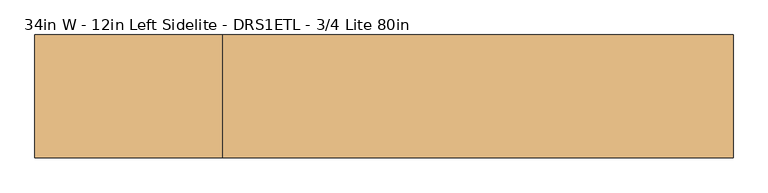
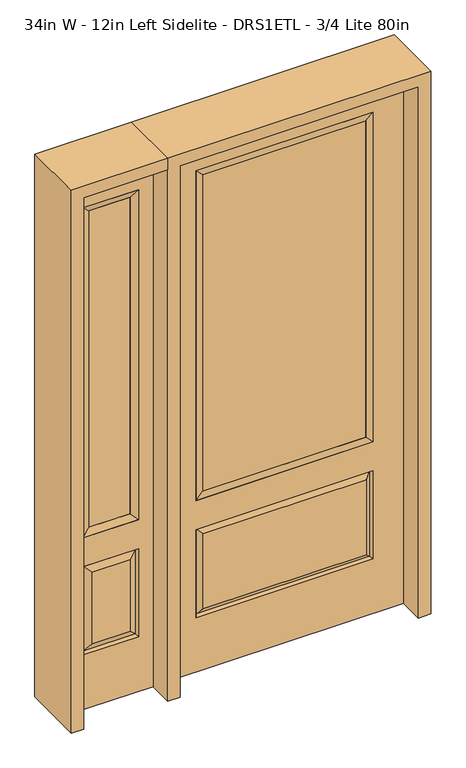
"""IFC4 building model written with IfcOpenShell, lengths in millimetres: door geometry, 34in W - 12in Left Sidelite - DRS1ETL - 3/4 Lite 80in."""

from ifc_helpers import new_model, si_unit, frame, origin, place, context, project, spatial, polyline, outline, extrude, faceted_brep, source, transform, mapped, element, save


def door_34in_w_12in_left_sidelite_drs1etl_3_4_lite_80in_8fad51a0(model_context):
    return source(origin(), model_context, "Body", "SolidModel", [
        faceted_brep([(-781.05, -22.225, 0.0), (-476.25, -22.225, 0.0), (-476.25, -22.225, 2032.0), (-781.05, -22.225, 2032.0), (-528.32, -22.225, 1919.224), (-528.32, -22.225, 657.098), (-728.98, -22.225, 657.098), (-728.98, -22.225, 1919.224), (-528.32, -22.225, 209.55), (-728.98, -22.225, 209.55), (-728.98, -22.225, 546.1), (-528.32, -22.225, 546.1), (-697.2648999, -22.225, 241.2651001), (-560.0351001, -22.225, 241.2651001), (-560.0351001, -22.225, 514.3848999), (-697.2648999, -22.225, 514.3848999), (-781.05, 22.225, 0.0), (-781.05, 22.225, 2032.0), (-476.25, 22.225, 2032.0), (-476.25, 22.225, 0.0), (-528.32, 22.225, 1919.224), (-728.98, 22.225, 1919.224), (-728.98, 22.225, 657.098), (-528.32, 22.225, 657.098), (-728.98, 22.225, 209.55), (-528.32, 22.225, 209.55), (-528.32, 22.225, 546.1), (-728.98, 22.225, 546.1), (-560.0351001, 22.225, 241.2651001), (-697.2648999, 22.225, 241.2651001), (-697.2648999, 22.225, 514.3848999), (-560.0351001, 22.225, 514.3848999), (-535.4288501, 12.7912373, 216.6588501), (-721.8711499, 12.7912373, 216.6588501), (-721.8711499, 12.7912373, 538.9911499), (-535.4288501, 12.7912373, 538.9911499), (-721.8711499, -12.7912373, 216.6588501), (-535.4288501, -12.7912373, 216.6588501), (-721.8711499, -12.7912373, 538.9911499), (-535.4288501, -12.7912373, 538.9911499)], [[[0, 1, 2, 3], [4, 5, 6, 7], [8, 9, 10, 11]], [[12, 13, 14, 15]], [[16, 17, 18, 19], [20, 21, 22, 23], [24, 25, 26, 27]], [[28, 29, 30, 31]], [[1, 0, 16, 19]], [[2, 1, 19, 18]], [[3, 2, 18, 17]], [[0, 3, 17, 16]], [[5, 4, 20, 23]], [[6, 5, 23, 22]], [[7, 6, 22, 21]], [[4, 7, 21, 20]], [[32, 33, 29, 28]], [[33, 32, 25, 24]], [[29, 33, 34, 30]], [[33, 24, 27, 34]], [[30, 34, 35, 31]], [[34, 27, 26, 35]], [[32, 28, 31, 35]], [[25, 32, 35, 26]], [[12, 36, 37, 13]], [[37, 36, 9, 8]], [[36, 12, 15, 38]], [[9, 36, 38, 10]], [[38, 15, 14, 39]], [[10, 38, 39, 11]], [[13, 37, 39, 14]], [[37, 8, 11, 39]]]),
        faceted_brep([(-728.98, 22.225, 1919.224), (-728.98, -22.225, 1919.224), (-528.32, -22.225, 1919.224), (-528.32, 22.225, 1919.224), (-703.58, 12.7, 1893.824), (-553.72, 12.7, 1893.824), (-703.58, -12.7, 1893.824), (-553.72, -12.7, 1893.824), (-528.32, -22.225, 657.098), (-528.32, 22.225, 657.098), (-553.72, 12.7, 682.498), (-553.72, -12.7, 682.498), (-728.98, -22.225, 657.098), (-728.98, 22.225, 657.098), (-703.58, 12.7, 682.498), (-703.58, -12.7, 682.498)], [[[0, 1, 2, 3]], [[4, 0, 3, 5]], [[6, 4, 5, 7]], [[1, 6, 7, 2]], [[3, 2, 8, 9]], [[5, 3, 9, 10]], [[7, 5, 10, 11]], [[2, 7, 11, 8]], [[9, 8, 12, 13]], [[10, 9, 13, 14]], [[11, 10, 14, 15]], [[8, 11, 15, 12]], [[13, 12, 1, 0]], [[14, 13, 0, 4]], [[15, 14, 4, 6]], [[12, 15, 6, 1]]]),
        extrude(outline(polyline([(-553.72, -12.7), (-703.58, -12.7), (-703.58, 12.7), (-553.72, 12.7), (-553.72, -12.7)])), frame((0.0, 0.0, 682.498), z_axis=(0.0, 0.0, 1.0), x_axis=(1.0, 0.0, 0.0)), (0.0, 0.0, 1.0), 1211.326),
        faceted_brep([(-313.5661499, -12.7912373, 216.6588501), (313.5661499, -12.7912373, 216.6588501), (296.06875, -22.225, 234.15625), (-296.06875, -22.225, 234.15625), (-320.675, -22.225, 209.55), (320.675, -22.225, 209.55), (-313.5661499, -12.7912373, 538.9911499), (-320.675, -22.225, 546.1), (296.06875, -22.225, 521.49375), (-296.06875, -22.225, 521.49375), (431.8, -22.225, 2032.0), (-431.8, -22.225, 2032.0), (-431.8, -22.225, 0.0), (431.8, -22.225, 0.0), (320.675, -22.225, 546.1), (320.675, -22.225, 1917.7), (320.675, -22.225, 657.098), (-320.675, -22.225, 657.098), (-320.675, -22.225, 1917.7), (313.5661499, -12.7912373, 538.9911499), (-431.8, 22.225, 2032.0), (-431.8, 22.225, 0.0), (431.8, 22.225, 0.0), (431.8, 22.225, 2032.0), (320.675, 22.225, 1917.7), (320.675, 22.225, 657.098), (-320.675, 22.225, 657.098), (-320.675, 22.225, 1917.7), (-320.675, 22.225, 209.55), (320.675, 22.225, 209.55), (320.675, 22.225, 546.1), (-320.675, 22.225, 546.1), (296.06875, 22.225, 234.15625), (-296.06875, 22.225, 234.15625), (-296.06875, 22.225, 521.49375), (296.06875, 22.225, 521.49375), (-313.5661499, 12.7912373, 216.6588501), (313.5661499, 12.7912373, 216.6588501), (313.5661499, 12.7912373, 538.9911499), (-313.5661499, 12.7912373, 538.9911499)], [[[0, 1, 2, 3]], [[1, 0, 4, 5]], [[4, 0, 6, 7]], [[3, 2, 8, 9]], [[10, 11, 12, 13], [5, 4, 7, 14], [15, 16, 17, 18]], [[1, 5, 14, 19]], [[2, 1, 19, 8]], [[0, 3, 9, 6]], [[7, 6, 19, 14]], [[6, 9, 8, 19]], [[12, 11, 20, 21]], [[13, 12, 21, 22]], [[10, 13, 22, 23]], [[16, 15, 24, 25]], [[17, 16, 25, 26]], [[18, 17, 26, 27]], [[23, 22, 21, 20], [28, 29, 30, 31], [24, 27, 26, 25]], [[32, 33, 34, 35]], [[28, 36, 37, 29]], [[29, 37, 38, 30]], [[39, 31, 30, 38]], [[36, 28, 31, 39]], [[37, 36, 33, 32]], [[33, 36, 39, 34]], [[34, 39, 38, 35]], [[37, 32, 35, 38]], [[11, 10, 23, 20]], [[15, 18, 27, 24]]]),
        faceted_brep([(-320.675, -22.225, 1917.7), (-320.675, 22.225, 1917.7), (-320.675, 22.225, 657.098), (-320.675, -22.225, 657.098), (320.675, 22.225, 657.098), (320.675, -22.225, 657.098), (-295.275, 5.08, 682.498), (295.275, 5.08, 682.498), (320.675, 22.225, 1917.7), (320.675, -22.225, 1917.7), (-295.275, -20.32, 682.498), (295.275, -20.32, 682.498), (-295.275, -20.32, 1892.3), (295.275, -20.32, 1892.3), (-295.275, 5.08, 1892.3), (295.275, 5.08, 1892.3)], [[[0, 1, 2, 3]], [[3, 2, 4, 5]], [[2, 6, 7, 4]], [[5, 4, 8, 9]], [[10, 3, 5, 11]], [[12, 0, 3, 10]], [[11, 5, 9, 13]], [[6, 10, 11, 7]], [[14, 12, 10, 6]], [[7, 11, 13, 15]], [[1, 14, 6, 2]], [[4, 7, 15, 8]], [[9, 8, 1, 0]], [[13, 9, 0, 12]], [[15, 13, 12, 14]], [[8, 15, 14, 1]]]),
        extrude(outline(polyline([(295.275, -20.32), (-295.275, -20.32), (-295.275, 5.08), (295.275, 5.08), (295.275, -20.32)])), frame((0.0, 0.0, 682.498), z_axis=(0.0, 0.0, 1.0), x_axis=(1.0, 0.0, 0.0)), (0.0, 0.0, 1.0), 1209.802),
        extrude(outline(polyline([(2032.0, -476.25), (2076.45, -476.25), (2076.45, -825.5), (0.0, -825.5), (0.0, -781.05), (2032.0, -781.05), (2032.0, -476.25)])), frame((0.0, -114.3, 0.0), z_axis=(0.0, 1.0, 0.0), x_axis=(0.0, 0.0, 1.0)), (0.0, 0.0, 1.0), 228.6),
        extrude(outline(polyline([(2076.45, -476.25), (0.0, -476.25), (0.0, -431.8), (2032.0, -431.8), (2032.0, 431.8), (0.0, 431.8), (0.0, 476.25), (2076.45, 476.25), (2076.45, -476.25)])), frame((0.0, -114.3, 0.0), z_axis=(0.0, 1.0, 0.0), x_axis=(0.0, 0.0, 1.0)), (0.0, 0.0, 1.0), 228.6),
    ])


if __name__ == "__main__":
    model = new_model("IFC4")
    model_context = context("Model", 3, world=origin())
    ifc_project = project(units=[si_unit("LENGTHUNIT", "METRE", prefix="MILLI")], contexts=[model_context])
    site = spatial("IfcSite", under=ifc_project)
    building = spatial("IfcBuilding", under=site)
    placement = place(None, origin())
    door_34in_w_12in_left_sidelite_drs1etl_3_4_lite_80in_shape = door_34in_w_12in_left_sidelite_drs1etl_3_4_lite_80in_8fad51a0(model_context)
    element("IfcDoor", 1, ObjectType="34in W - 12in Left Sidelite - DRS1ETL - 3/4 Lite 80in", at=placement, inside=building, context=model_context, shape_type="MappedRepresentation", body=[
        mapped(door_34in_w_12in_left_sidelite_drs1etl_3_4_lite_80in_shape, transform((0.0, 0.0, 0.0), x_axis=(1.0, 0.0, 0.0), y_axis=(0.0, 1.0, 0.0), z_axis=(0.0, 0.0, 1.0))),
    ])
    save(model, "model.ifc")
